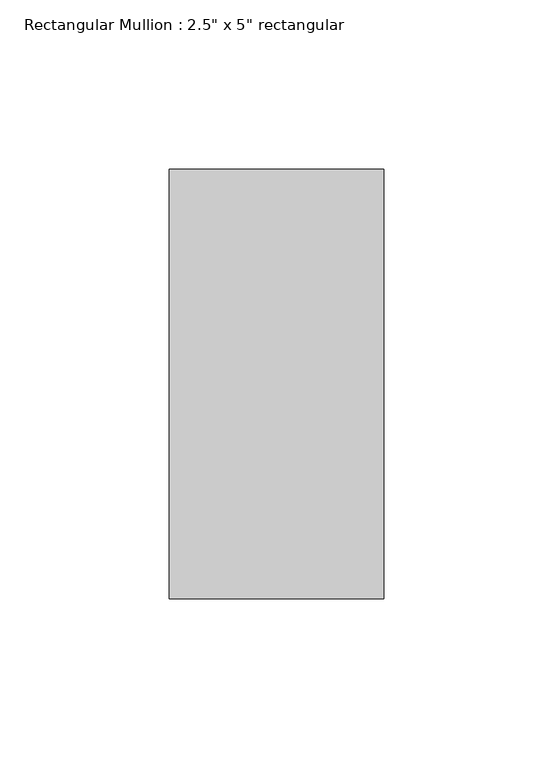
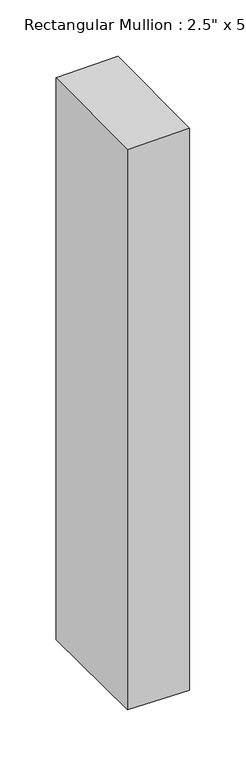
"""IFC4 building model written with IfcOpenShell, lengths in millimetres: member geometry."""

from ifc_helpers import new_model, si_unit, origin, place, context, project, spatial, faceted_brep, source, transform, mapped, element, save


def member_2ba13b6b(model_context):
    return source(origin(), model_context, "Body", "Brep", [
        faceted_brep([(-63.5, 63.5, -0.7896543), (0.0, 63.5, 0.3896535), (0.0, 63.5, -610.0299437), (-63.5, 63.5, -608.9549058), (-63.5, -63.5, -1.5689612), (-63.5, -63.5, -608.1761918), (0.0, -63.5, -0.3896535), (0.0, -63.5, -609.2512297)], [[[0, 1, 2, 3]], [[4, 0, 3, 5]], [[6, 4, 5, 7]], [[1, 6, 7, 2]], [[1, 0, 4, 6]], [[2, 7, 5, 3]]]),
    ])


if __name__ == "__main__":
    model = new_model("IFC4")
    model_context = context("Model", 3, world=origin())
    ifc_project = project(units=[si_unit("LENGTHUNIT", "METRE", prefix="MILLI")], contexts=[model_context])
    site = spatial("IfcSite", under=ifc_project)
    building = spatial("IfcBuilding", under=site)
    placement = place(None, origin())
    member_shape = member_2ba13b6b(model_context)
    element("IfcMember", 1, ObjectType="Rectangular Mullion : 2.5\" x 5\" rectangular", at=placement, inside=building, context=model_context, shape_type="MappedRepresentation", body=[
        mapped(member_shape, transform((0.0, 0.0, 0.0), x_axis=(1.0, 0.0, 0.0), y_axis=(0.0, 1.0, 0.0), z_axis=(0.0, 0.0, 1.0))),
    ])
    save(model, "model.ifc")
